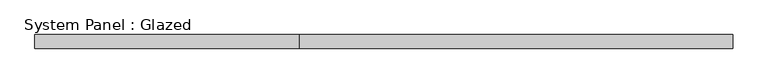
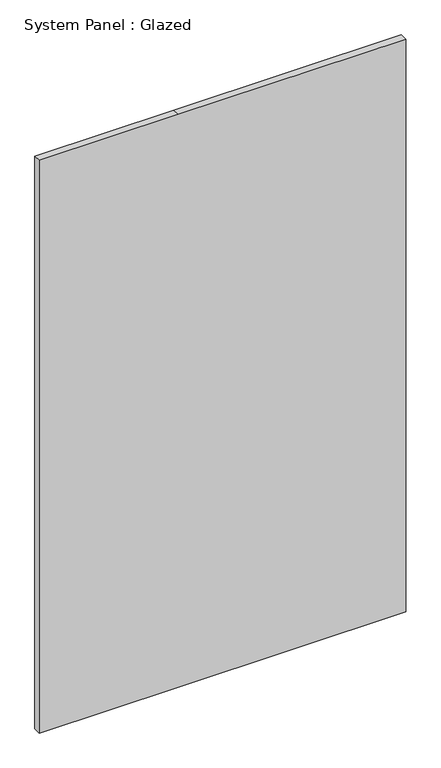
"""IFC4 building model written with IfcOpenShell, lengths in millimetres: plate geometry, System Panel : Glazed."""

from ifc_helpers import new_model, si_unit, frame, origin, place, context, project, spatial, polyline, outline, extrude, source, transform, mapped, element, save


def system_panel_glazed_a696c59c(model_context):
    return source(origin(), model_context, "Body", "SweptSolid", [
        extrude(outline(polyline([(0.0, -634.2202525), (0.0, -153.1797475), (0.0, 634.2202525), (2095.5, 634.2202525), (2095.5, -153.1797475), (2095.5, -634.2202525), (0.0, -634.2202525)])), frame((0.0, 19.05, 0.0), z_axis=(0.0, 1.0, 0.0), x_axis=(0.0, 0.0, 1.0)), (0.0, 0.0, 1.0), 25.4),
    ])


if __name__ == "__main__":
    model = new_model("IFC4")
    model_context = context("Model", 3, world=origin())
    ifc_project = project(units=[si_unit("LENGTHUNIT", "METRE", prefix="MILLI")], contexts=[model_context])
    site = spatial("IfcSite", under=ifc_project)
    building = spatial("IfcBuilding", under=site)
    placement = place(None, origin())
    system_panel_glazed_shape = system_panel_glazed_a696c59c(model_context)
    element("IfcPlate", 1, ObjectType="System Panel : Glazed", at=placement, inside=building, context=model_context, shape_type="MappedRepresentation", body=[
        mapped(system_panel_glazed_shape, transform((0.0, 0.0, 0.0), x_axis=(1.0, 0.0, 0.0), y_axis=(0.0, 1.0, 0.0), z_axis=(0.0, 0.0, 1.0))),
    ])
    save(model, "model.ifc")
